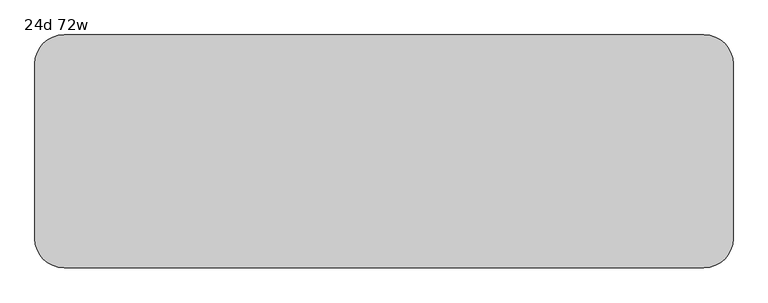
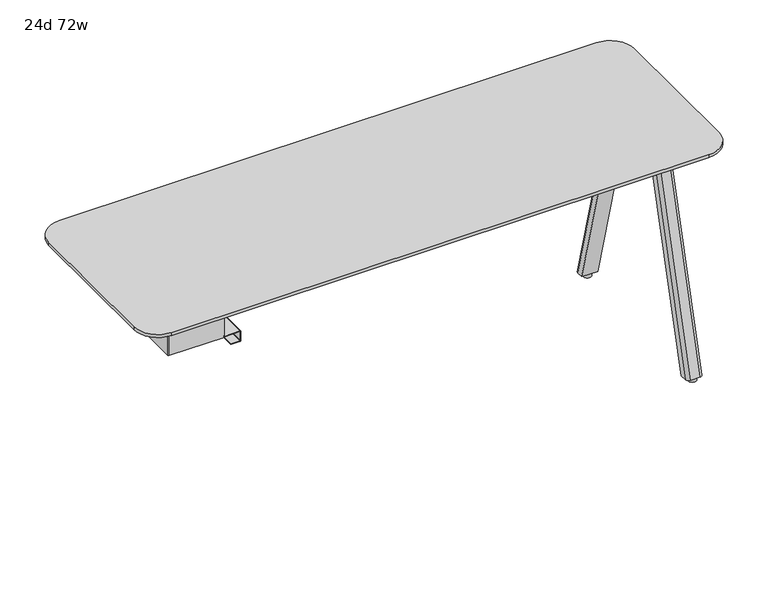
"""IFC4 building model written with IfcOpenShell, lengths in millimetres: furniture geometry, 24d 72w."""

from ifc_helpers import new_model, si_unit, point, frame, frame_2d, origin, origin_with_axes, place, context, project, spatial, polyline, circle_curve, trimmed, segment, composite_curve, outline, extrude, source, transform, mapped, element, save
from ifc_brep_helpers import plane_surface, cylinder_surface, revolved_surface, extruded_surface, advanced_brep


def furniture_24d_72w_04ba445d(model_context):
    return source(origin(), model_context, "Body", "SolidModel", [
        extrude(outline(composite_curve([segment(trimmed(circle_curve(frame_2d((708.2866241, -141.9174267)), 2.9133759), [point((711.2, -141.9174267))], [point((708.2866241, -144.8308027))], False, "CARTESIAN"), True, "CONTINUOUS"), segment(polyline([(708.2866241, -144.8308027), (549.0057593, -144.8308027)]), True, "CONTINUOUS"), segment(trimmed(circle_curve(frame_2d((549.0057593, -141.9174222)), 2.9133805), [point((549.0057593, -144.8308027))], [point((546.0923788, -141.9174222))], False, "CARTESIAN"), True, "CONTINUOUS"), segment(polyline([(546.0923788, -141.9174222), (546.0923788, -93.388185)]), True, "CONTINUOUS"), segment(trimmed(circle_curve(frame_2d((545.0763787, -93.388185)), 1.0160002), [point((546.0923788, -93.388185))], [point((545.0763787, -92.3721849))], True, "CARTESIAN"), True, "CONTINUOUS"), segment(polyline([(545.0763787, -92.3721849), (516.6283794, -92.3721849)]), True, "CONTINUOUS"), segment(trimmed(circle_curve(frame_2d((516.6283797, -93.388185)), 1.0160002), [point((516.6283794, -92.3721849))], [point((515.6123795, -93.388185))], True, "CARTESIAN"), True, "CONTINUOUS"), segment(polyline([(515.6123795, -93.388185), (515.6123792, -122.2248049), (513.7149992, -122.2248049), (513.7149992, -93.388185)]), True, "CONTINUOUS"), segment(trimmed(circle_curve(frame_2d((516.6283797, -93.388185)), 2.9133805), [point((513.7149992, -93.388185))], [point((516.6283797, -90.4748045))], False, "CARTESIAN"), True, "CONTINUOUS"), segment(polyline([(516.6283797, -90.4748045), (545.0763798, -90.4748045)]), True, "CONTINUOUS"), segment(trimmed(circle_curve(frame_2d((545.0763798, -93.388185)), 2.9133805), [point((545.0763798, -90.4748045))], [point((547.9897603, -93.388185))], False, "CARTESIAN"), True, "CONTINUOUS"), segment(polyline([(547.9897603, -93.388185), (547.9897603, -141.9174267)]), True, "CONTINUOUS"), segment(trimmed(circle_curve(frame_2d((549.0057593, -141.9174267)), 1.015999), [point((547.9897603, -141.9174267))], [point((549.0057593, -142.9334257))], True, "CARTESIAN"), True, "CONTINUOUS"), segment(polyline([(549.0057593, -142.9334257), (708.2866241, -142.9334257)]), True, "CONTINUOUS"), segment(trimmed(circle_curve(frame_2d((708.2866241, -141.9174267)), 1.015999), [point((708.2866241, -142.9334257))], [point((709.3026231, -141.9174267))], True, "CARTESIAN"), True, "CONTINUOUS"), segment(polyline([(709.3026231, -141.9174267), (709.3026231, -65.0748), (711.2, -65.0748), (711.2, -141.9174267)]), True, "CONTINUOUS")], self_intersect=False)), frame((0.0, -314.0610932, 0.0), z_axis=(0.0, 1.0, 0.0), x_axis=(0.0, 0.0, 1.0)), (0.0, 0.0, 1.0), 304.8),
        extrude(outline(composite_curve([segment(polyline([(-319.0748, -314.9678875), (-319.0748, -8.3390657)]), True, "CONTINUOUS"), segment(trimmed(circle_curve(frame_2d((-317.1698109, -8.3390657)), 1.9049891), [point((-319.0748, -8.3390657))], [point((-317.1698109, -6.4340766))], False, "CARTESIAN"), True, "CONTINUOUS"), segment(polyline([(-317.1698109, -6.4340766), (-144.0434052, -6.4340766), (-144.0434052, -316.8728766), (-317.1698109, -316.8728766)]), True, "CONTINUOUS"), segment(trimmed(circle_curve(frame_2d((-317.1698109, -314.9678875)), 1.9049891), [point((-317.1698109, -316.8728766))], [point((-319.0748, -314.9678875))], False, "CARTESIAN"), True, "CONTINUOUS")], self_intersect=False)), frame((0.0, 0.0, 547.0829797), z_axis=(0.0, 0.0, 1.0), x_axis=(1.0, 0.0, 0.0)), (0.0, 0.0, 1.0), 164.1170203),
        extrude(outline(composite_curve([segment(polyline([(1264.8565, -142.6464359), (1156.9065004, -142.6464359)]), True, "CONTINUOUS"), segment(trimmed(circle_curve(frame_2d((1156.9065004, -133.1214359)), 9.525), [point((1156.9065004, -142.6464359))], [point((1147.3815004, -133.1214359))], False, "CARTESIAN"), True, "CONTINUOUS"), segment(polyline([(1147.3815004, -133.1214359), (1147.3815004, -50.4480665)]), True, "CONTINUOUS"), segment(trimmed(circle_curve(frame_2d((1156.9065004, -50.4480665)), 9.525), [point((1147.3815004, -50.4480665))], [point((1156.9065004, -40.9230665))], False, "CARTESIAN"), True, "CONTINUOUS"), segment(polyline([(1156.9065004, -40.9230665), (1264.8565, -40.9230665)]), True, "CONTINUOUS"), segment(trimmed(circle_curve(frame_2d((1264.8565, -50.4480665)), 9.525), [point((1264.8565, -40.9230665))], [point((1274.3815, -50.4480665))], False, "CARTESIAN"), True, "CONTINUOUS"), segment(polyline([(1274.3815, -50.4480665), (1274.3815, -133.1214359)]), True, "CONTINUOUS"), segment(trimmed(circle_curve(frame_2d((1264.8565, -133.1214359)), 9.525), [point((1274.3815, -133.1214359))], [point((1264.8565, -142.6464359))], False, "CARTESIAN"), True, "CONTINUOUS")], self_intersect=False)), frame((0.0, 0.0, 705.2055742), z_axis=(0.0, 0.0, 1.0), x_axis=(1.0, 0.0, 0.0)), (0.0, 0.0, 1.0), 5.9944258),
        advanced_brep(
        [(1258.8875, -48.1472266, 705.2055742), (1227.1375, -48.1472266, 705.2055742), (1217.6125, -57.6722266, 705.2055742), (1217.6125, -78.3097266, 705.2055742), (1268.4125, -78.3097266, 705.2055742), (1268.4125, -57.6722266, 705.2055742), (1258.8875, 138.3410641, 12.7), (1268.4125, 128.8160641, 12.7), (1268.4125, 108.1785641, 12.7), (1217.6125, 108.1785641, 12.7), (1217.6125, 128.8160641, 12.7), (1227.1375, 138.3410641, 12.7)],
        [
            (0, 1),
            (1, 2, circle_curve(frame((1227.1375, -57.6722266, 705.2055742), z_axis=(0.0, 0.0, 1.0), x_axis=(1.0, 0.0, 0.0)), 9.525)),
            (2, 3),
            (3, 4),
            (4, 5),
            (5, 0, circle_curve(frame((1258.8875, -57.6722266, 705.2055742), z_axis=(0.0, 0.0, 1.0), x_axis=(1.0, 0.0, 0.0)), 9.525)),
            (6, 7, circle_curve(frame((1258.8875, 128.8160641, 12.7), z_axis=(0.0, 0.0, -1.0), x_axis=(1.0, 0.0, 0.0)), 9.525)),
            (7, 8),
            (8, 9),
            (9, 10),
            (10, 11, circle_curve(frame((1227.1375, 128.8160641, 12.7), z_axis=(0.0, 0.0, -1.0), x_axis=(1.0, 0.0, 0.0)), 9.525)),
            (11, 6),
            (6, 0),
            (5, 7),
            (4, 8),
            (3, 9),
            (2, 10),
            (1, 11),
        ],
        [
            plane_surface(frame((1243.0125, -61.3763932, 705.2055742), z_axis=(0.0, 0.0, 1.0), x_axis=(-1.0, 0.0, 0.0))),
            plane_surface(frame((1243.0125, 125.1118975, 12.7), z_axis=(0.0, 0.0, -1.0), x_axis=(-1.0, 0.0, 0.0))),
            extruded_surface(trimmed(circle_curve(frame((1258.8875, -57.6722266, 705.2055742), z_axis=(0.0, 0.0, -1.0), x_axis=(1.0, 0.0, 0.0)), 9.525), [point((1258.8875, -48.1472266, 705.2055742))], [point((1268.4125, -57.6722266, 705.2055742))], True, "CARTESIAN"), (0.0, 186.4882907, -692.5055742), 717.1763052878136),
            plane_surface(frame((1268.4125, 118.4973141, 12.7), z_axis=(1.0, 0.0, 0.0), x_axis=(0.0, -1.0, 0.0))),
            plane_surface(frame((1243.0125, 108.1785641, 12.7), z_axis=(0.0, -0.9656001865922422, -0.260031305140414), x_axis=(-1.0, 0.0, 0.0))),
            plane_surface(frame((1217.6125, 118.4973141, 12.7), z_axis=(-1.0, 0.0, 0.0), x_axis=(0.0, 1.0, 0.0))),
            extruded_surface(trimmed(circle_curve(frame((1227.1375, -57.6722266, 705.2055742), z_axis=(0.0, 0.0, -1.0), x_axis=(1.0, 0.0, 0.0)), 9.525), [point((1217.6125, -57.6722266, 705.2055742))], [point((1227.1375, -48.1472266, 705.2055742))], True, "CARTESIAN"), (0.0, 186.4882907, -692.5055742), 717.1763052878136),
            plane_surface(frame((1243.0125, 138.3410641, 12.7), z_axis=(0.0, 0.9656001865922422, 0.260031305140414), x_axis=(1.0, 0.0, 0.0))),
        ],
        [
            (0, [[1, 2, 3, 4, 5, 6]]),
            (1, [[7, 8, 9, 10, 11, 12]]),
            (2, [[13, -6, 14, -7]]),
            (3, [[-14, -5, 15, -8]]),
            (4, [[-15, -4, 16, -9]]),
            (5, [[-16, -3, 17, -10]]),
            (6, [[-17, -2, 18, -11]]),
            (7, [[-18, -1, -13, -12]]),
        ],
    ),
        extrude(outline(composite_curve([segment(trimmed(circle_curve(frame_2d((1243.0125, 122.4660641)), 12.7), [point((1230.3125, 122.4660641))], [point((1255.7125, 122.4660641))], False, "CARTESIAN"), True, "CONTINUOUS"), segment(trimmed(circle_curve(frame_2d((1243.0125, 122.4660641)), 12.7), [point((1255.7125, 122.4660641))], [point((1230.3125, 122.4660641))], False, "CARTESIAN"), True, "CONTINUOUS")], self_intersect=False)), origin_with_axes(), (0.0, 0.0, 1.0), 12.7),
        extrude(outline(composite_curve([segment(trimmed(circle_curve(frame_2d((1264.8565, -190.1855172)), 9.525), [point((1264.8565, -180.6605172))], [point((1274.3815, -190.1855172))], False, "CARTESIAN"), True, "CONTINUOUS"), segment(polyline([(1274.3815, -190.1855172), (1274.3815, -272.8588866)]), True, "CONTINUOUS"), segment(trimmed(circle_curve(frame_2d((1264.8565, -272.8588866)), 9.525), [point((1274.3815, -272.8588866))], [point((1264.8565, -282.3838866))], False, "CARTESIAN"), True, "CONTINUOUS"), segment(polyline([(1264.8565, -282.3838866), (1156.9065004, -282.3838866)]), True, "CONTINUOUS"), segment(trimmed(circle_curve(frame_2d((1156.9065004, -272.8588866)), 9.525), [point((1156.9065004, -282.3838866))], [point((1147.3815004, -272.8588866))], False, "CARTESIAN"), True, "CONTINUOUS"), segment(polyline([(1147.3815004, -272.8588866), (1147.3815004, -190.1855172)]), True, "CONTINUOUS"), segment(trimmed(circle_curve(frame_2d((1156.9065004, -190.1855172)), 9.525), [point((1147.3815004, -190.1855172))], [point((1156.9065004, -180.6605172))], False, "CARTESIAN"), True, "CONTINUOUS"), segment(polyline([(1156.9065004, -180.6605172), (1264.8565, -180.6605172)]), True, "CONTINUOUS")], self_intersect=False)), frame((0.0, 0.0, 705.2055742), z_axis=(0.0, 0.0, 1.0), x_axis=(1.0, 0.0, 0.0)), (0.0, 0.0, 1.0), 5.9944258),
        advanced_brep(
        [(1258.8875, -275.1597266, 705.2055742), (1268.4125, -265.6347266, 705.2055742), (1268.4125, -244.9972266, 705.2055742), (1217.6125, -244.9972266, 705.2055742), (1217.6125, -265.6347266, 705.2055742), (1227.1375, -275.1597266, 705.2055742), (1258.8875, -461.6480172, 12.7), (1227.1375, -461.6480172, 12.7), (1217.6125, -452.1230172, 12.7), (1217.6125, -431.4855172, 12.7), (1268.4125, -431.4855172, 12.7), (1268.4125, -452.1230172, 12.7)],
        [
            (0, 1, circle_curve(frame((1258.8875, -265.6347266, 705.2055742), z_axis=(0.0, 0.0, 1.0), x_axis=(1.0, 0.0, 0.0)), 9.525)),
            (1, 2),
            (2, 3),
            (3, 4),
            (4, 5, circle_curve(frame((1227.1375, -265.6347266, 705.2055742), z_axis=(0.0, 0.0, 1.0), x_axis=(1.0, 0.0, 0.0)), 9.525)),
            (5, 0),
            (6, 7),
            (7, 8, circle_curve(frame((1227.1375, -452.1230172, 12.7), z_axis=(0.0, 0.0, -1.0), x_axis=(1.0, 0.0, 0.0)), 9.525)),
            (8, 9),
            (9, 10),
            (10, 11),
            (11, 6, circle_curve(frame((1258.8875, -452.1230172, 12.7), z_axis=(0.0, 0.0, -1.0), x_axis=(1.0, 0.0, 0.0)), 9.525)),
            (11, 1),
            (0, 6),
            (10, 2),
            (9, 3),
            (8, 4),
            (7, 5),
        ],
        [
            plane_surface(frame((1243.0125, -261.9305599, 705.2055742), z_axis=(0.0, 0.0, 1.0), x_axis=(-1.0, 0.0, 0.0))),
            plane_surface(frame((1243.0125, -448.4188506, 12.7), z_axis=(0.0, 0.0, -1.0), x_axis=(-1.0, 0.0, 0.0))),
            extruded_surface(trimmed(circle_curve(frame((1258.8875, -452.1230172, 12.7), z_axis=(0.0, 0.0, 1.0), x_axis=(1.0, 0.0, 0.0)), 9.525), [point((1258.8875, -461.6480172, 12.7))], [point((1268.4125, -452.1230172, 12.7))], True, "CARTESIAN"), (0.0, 186.48829059999997, 692.5055742), 717.1763052618105),
            plane_surface(frame((1268.4125, -441.8042672, 12.7), z_axis=(1.0, 0.0, 0.0), x_axis=(0.0, 1.0, 0.0))),
            plane_surface(frame((1243.0125, -431.4855172, 12.7), z_axis=(0.0, 0.9656001865922422, -0.260031305140414), x_axis=(-1.0, 0.0, 0.0))),
            plane_surface(frame((1217.6125, -441.8042672, 12.7), z_axis=(-1.0, 0.0, 0.0), x_axis=(0.0, -1.0, 0.0))),
            extruded_surface(trimmed(circle_curve(frame((1227.1375, -452.1230172, 12.7), z_axis=(0.0, 0.0, 1.0), x_axis=(1.0, 0.0, 0.0)), 9.525), [point((1217.6125, -452.1230172, 12.7))], [point((1227.1375, -461.6480172, 12.7))], True, "CARTESIAN"), (0.0, 186.48829059999997, 692.5055742), 717.1763052618105),
            plane_surface(frame((1243.0125, -461.6480172, 12.7), z_axis=(0.0, -0.9656001865922422, 0.260031305140414), x_axis=(1.0, 0.0, 0.0))),
        ],
        [
            (0, [[1, 2, 3, 4, 5, 6]]),
            (1, [[7, 8, 9, 10, 11, 12]]),
            (2, [[-12, 13, -1, 14]]),
            (3, [[-11, 15, -2, -13]]),
            (4, [[-10, 16, -3, -15]]),
            (5, [[-9, 17, -4, -16]]),
            (6, [[-8, 18, -5, -17]]),
            (7, [[-7, -14, -6, -18]]),
        ],
    ),
        extrude(outline(composite_curve([segment(trimmed(circle_curve(frame_2d((1243.0125, -445.7730172)), 12.7), [point((1230.3125, -445.7730172))], [point((1255.7125, -445.7730172))], False, "CARTESIAN"), True, "CONTINUOUS"), segment(trimmed(circle_curve(frame_2d((1243.0125, -445.7730172)), 12.7), [point((1255.7125, -445.7730172))], [point((1230.3125, -445.7730172))], False, "CARTESIAN"), True, "CONTINUOUS")], self_intersect=False)), origin_with_axes(), (0.0, 0.0, 1.0), 12.7),
        advanced_brep(
        [(-393.7, -466.4534766, 741.3625), (1282.7, -466.4534766, 741.3625), (1358.9, -390.2534766, 741.3625), (1358.9, 66.9465234, 741.3625), (1282.7, 143.1465234, 741.3625), (-393.7, 143.1465234, 741.3625), (-469.9, 66.9465234, 741.3625), (-469.9, -390.2534766, 741.3625), (1282.7, -415.6534766, 711.2), (-393.7, -415.6534766, 711.2), (-419.1, -390.2534766, 711.2), (-419.1, 66.9465234, 711.2), (-393.7, 92.3465234, 711.2), (1282.7, 92.3465234, 711.2), (1308.1, 66.9465234, 711.2), (1308.1, -390.2534766, 711.2), (-393.7, -466.4534766, 731.8375), (1282.7, -466.4534766, 731.8375), (1358.9, -390.2534766, 731.8375), (1358.9, 66.9465234, 731.8375), (1282.7, 143.1465234, 731.8375), (-393.7, 143.1465234, 731.8375), (-469.9, 66.9465234, 731.8375), (-469.9, -390.2534766, 731.8375)],
        [
            (0, 1),
            (1, 2, circle_curve(frame((1282.7, -390.2534766, 741.3625), z_axis=(0.0, 0.0, 1.0), x_axis=(1.0, 0.0, 0.0)), 76.2)),
            (2, 3),
            (3, 4, circle_curve(frame((1282.7, 66.9465234, 741.3625), z_axis=(0.0, 0.0, 1.0), x_axis=(1.0, 0.0, 0.0)), 76.2)),
            (4, 5),
            (5, 6, circle_curve(frame((-393.7, 66.9465234, 741.3625), z_axis=(0.0, 0.0, 1.0), x_axis=(1.0, 0.0, 0.0)), 76.2)),
            (6, 7),
            (7, 0, circle_curve(frame((-393.7, -390.2534766, 741.3625), z_axis=(0.0, 0.0, 1.0), x_axis=(1.0, 0.0, 0.0)), 76.2)),
            (8, 9),
            (9, 10, circle_curve(frame((-393.7, -390.2534766, 711.2), z_axis=(0.0, 0.0, -1.0), x_axis=(-1.0, 0.0, 0.0)), 25.4)),
            (10, 11),
            (11, 12, circle_curve(frame((-393.7, 66.9465234, 711.2), z_axis=(0.0, 0.0, -1.0), x_axis=(0.0, 1.0, 0.0)), 25.4)),
            (12, 13),
            (13, 14, circle_curve(frame((1282.7, 66.9465234, 711.2), z_axis=(0.0, 0.0, -1.0), x_axis=(1.0, 0.0, 0.0)), 25.4)),
            (14, 15),
            (15, 8, circle_curve(frame((1282.7, -390.2534766, 711.2), z_axis=(0.0, 0.0, -1.0), x_axis=(0.0, -1.0, 0.0)), 25.4)),
            (0, 16),
            (16, 17),
            (17, 1),
            (2, 18),
            (18, 19),
            (19, 3),
            (17, 18, circle_curve(frame((1282.7, -390.2534766, 731.8375), z_axis=(0.0, 0.0, 1.0), x_axis=(1.0, 0.0, 0.0)), 76.2)),
            (4, 20),
            (20, 21),
            (21, 5),
            (8, 17),
            (16, 9),
            (15, 18),
            (14, 19),
            (13, 20),
            (20, 19, circle_curve(frame((1282.7, 66.9465234, 731.8375), z_axis=(0.0, 0.0, -1.0), x_axis=(1.0, 0.0, 0.0)), 76.2)),
            (12, 21),
            (6, 22),
            (22, 23),
            (23, 7),
            (21, 22, circle_curve(frame((-393.7, 66.9465234, 731.8375), z_axis=(0.0, 0.0, 1.0), x_axis=(1.0, 0.0, 0.0)), 76.2)),
            (23, 16, circle_curve(frame((-393.7, -390.2534766, 731.8375), z_axis=(0.0, 0.0, 1.0), x_axis=(1.0, 0.0, 0.0)), 76.2)),
            (11, 22),
            (10, 23),
        ],
        [
            plane_surface(frame((1282.7, -466.4534766, 741.3625), z_axis=(0.0, 0.0, 1.0), x_axis=(1.0, 0.0, 0.0))),
            plane_surface(frame((1282.7, -466.4534766, 711.2), z_axis=(0.0, 0.0, -1.0), x_axis=(-1.0, 0.0, 0.0))),
            plane_surface(frame((-393.7, -466.4534766, 741.3625), z_axis=(0.0, -1.0, 0.0), x_axis=(0.0, 0.0, -1.0))),
            plane_surface(frame((1358.9, -390.2534766, 741.3625), z_axis=(1.0, 0.0, 0.0), x_axis=(0.0, 0.0, -1.0))),
            cylinder_surface(frame((1282.7, -390.2534766, 711.2), z_axis=(0.0, 0.0, 1.0), x_axis=(1.0, 0.0, 0.0)), 76.2),
            plane_surface(frame((1282.7, 143.1465234, 741.3625), z_axis=(0.0, 1.0, 0.0), x_axis=(0.0, 0.0, -1.0))),
            plane_surface(frame((-393.7, -466.4534766, 731.8375), z_axis=(0.0, -0.3763770469577009, -0.926466577121593), x_axis=(1.0, 0.0, 0.0))),
            revolved_surface(polyline([(1282.7, -415.6534766, 711.2), (1282.7, -466.4534766, 731.8375)]), (1282.7, -390.2534766, 0.0), (0.0, 0.0, 1.0)),
            plane_surface(frame((1358.9, -390.2534766, 731.8375), z_axis=(0.3763770469577009, 0.0, -0.926466577121593), x_axis=(0.0, 1.0, 0.0))),
            revolved_surface(polyline([(1308.1, 66.9465234, 711.2), (1358.9, 66.9465234, 731.8375)]), (1282.7, 66.9465234, 0.0), (0.0, 0.0, 1.0)),
            plane_surface(frame((1282.7, 143.1465234, 731.8375), z_axis=(0.0, 0.3763770469577009, -0.926466577121593), x_axis=(-1.0, 0.0, 0.0))),
            cylinder_surface(frame((1282.7, 66.9465234, 711.2), z_axis=(0.0, 0.0, 1.0), x_axis=(1.0, 0.0, 0.0)), 76.2),
            plane_surface(frame((-469.9, 66.9465234, 741.3625), z_axis=(-1.0, 0.0, 0.0), x_axis=(0.0, 0.0, -1.0))),
            cylinder_surface(frame((-393.7, 66.9465234, 711.2), z_axis=(0.0, 0.0, 1.0), x_axis=(1.0, 0.0, 0.0)), 76.2),
            cylinder_surface(frame((-393.7, -390.2534766, 711.2), z_axis=(0.0, 0.0, 1.0), x_axis=(1.0, 0.0, 0.0)), 76.2),
            revolved_surface(polyline([(-393.7, 92.3465234, 711.2), (-393.7, 143.1465234, 731.8375)]), (-393.7, 66.9465234, 0.0), (0.0, 0.0, 1.0)),
            plane_surface(frame((-469.9, 66.9465234, 731.8375), z_axis=(-0.3763770469577009, 0.0, -0.926466577121593), x_axis=(0.0, -1.0, 0.0))),
            revolved_surface(polyline([(-419.1, -390.2534766, 711.2), (-469.9, -390.2534766, 731.8375)]), (-393.7, -390.2534766, 0.0), (0.0, 0.0, 1.0)),
        ],
        [
            (0, [[1, 2, 3, 4, 5, 6, 7, 8]]),
            (1, [[9, 10, 11, 12, 13, 14, 15, 16]]),
            (2, [[-1, 17, 18, 19]]),
            (3, [[-3, 20, 21, 22]]),
            (4, [[-2, -19, 23, -20]]),
            (5, [[-5, 24, 25, 26]]),
            (6, [[27, -18, 28, -9]]),
            (7, [[-27, -16, 29, -23]]),
            (8, [[-29, -15, 30, -21]]),
            (9, [[-30, -14, 31, 32]]),
            (10, [[-31, -13, 33, -25]]),
            (11, [[-4, -22, -32, -24]]),
            (12, [[-7, 34, 35, 36]]),
            (13, [[-6, -26, 37, -34]]),
            (14, [[-8, -36, 38, -17]]),
            (15, [[-33, -12, 39, -37]]),
            (16, [[-39, -11, 40, -35]]),
            (17, [[-28, -38, -40, -10]]),
        ],
    ),
    ])


if __name__ == "__main__":
    model = new_model("IFC4")
    model_context = context("Model", 3, world=origin())
    ifc_project = project(units=[si_unit("LENGTHUNIT", "METRE", prefix="MILLI")], contexts=[model_context])
    site = spatial("IfcSite", under=ifc_project)
    building = spatial("IfcBuilding", under=site)
    placement = place(None, origin())
    furniture_24d_72w_shape = furniture_24d_72w_04ba445d(model_context)
    element("IfcFurniture", 1, ObjectType="24d 72w", at=placement, inside=building, context=model_context, shape_type="MappedRepresentation", body=[
        mapped(furniture_24d_72w_shape, transform((0.0, 0.0, 0.0), x_axis=(1.0, 0.0, 0.0), y_axis=(0.0, 1.0, 0.0), z_axis=(0.0, 0.0, 1.0))),
    ])
    save(model, "model.ifc")
